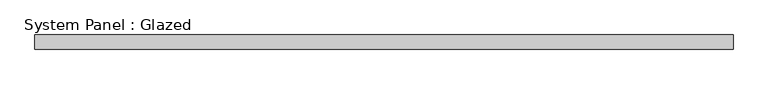
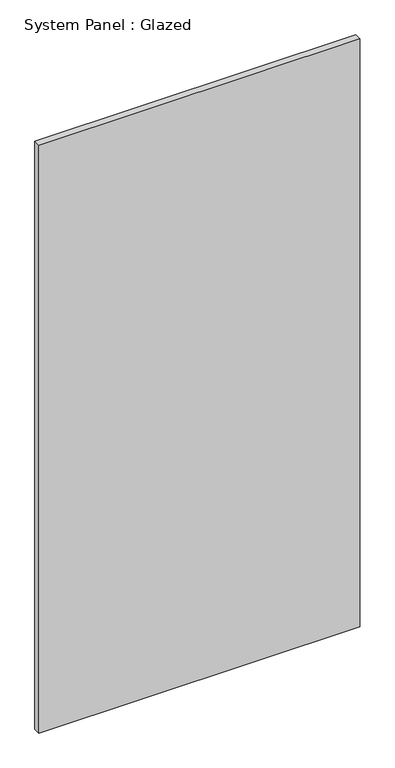
"""IFC4 building model written with IfcOpenShell, lengths in millimetres: plate geometry, System Panel : Glazed."""

from ifc_helpers import new_model, si_unit, origin, origin_with_axes, place, context, project, spatial, polyline, outline, extrude, source, transform, mapped, element, save


def system_panel_glazed_aebe01b4(model_context):
    return source(origin(), model_context, "Body", "SweptSolid", [
        extrude(outline(polyline([(600.0, -49.5), (-600.0, -49.5), (-600.0, -24.5), (600.0, -24.5), (600.0, -49.5)])), origin_with_axes(), (0.0, 0.0, 1.0), 2325.0),
    ])


if __name__ == "__main__":
    model = new_model("IFC4")
    model_context = context("Model", 3, world=origin())
    ifc_project = project(units=[si_unit("LENGTHUNIT", "METRE", prefix="MILLI")], contexts=[model_context])
    site = spatial("IfcSite", under=ifc_project)
    building = spatial("IfcBuilding", under=site)
    placement = place(None, origin())
    system_panel_glazed_shape = system_panel_glazed_aebe01b4(model_context)
    element("IfcPlate", 1, ObjectType="System Panel : Glazed", at=placement, inside=building, context=model_context, shape_type="MappedRepresentation", body=[
        mapped(system_panel_glazed_shape, transform((0.0, 0.0, 0.0), x_axis=(1.0, 0.0, 0.0), y_axis=(0.0, 1.0, 0.0), z_axis=(0.0, 0.0, 1.0))),
    ])
    save(model, "model.ifc")
